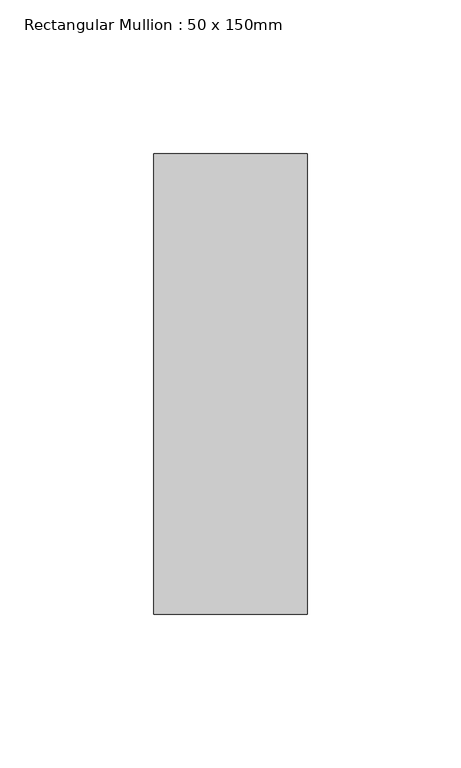
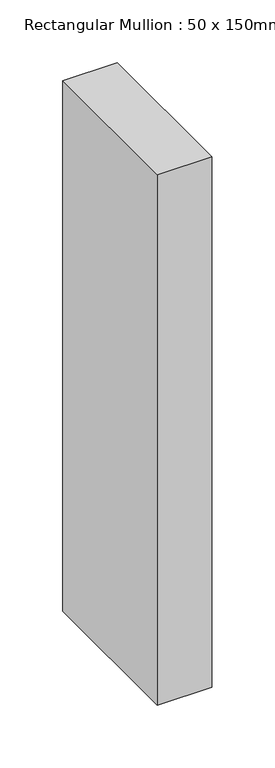
"""IFC4 building model written with IfcOpenShell, lengths in millimetres: member geometry, Rectangular Mullion : 50 x 150mm."""

from ifc_helpers import new_model, si_unit, frame, origin, place, context, project, spatial, polyline, outline, extrude, source, transform, mapped, element, save


def rectangular_mullion_50_x_150mm_443e4d05(model_context):
    return source(origin(), model_context, "Body", "SweptSolid", [
        extrude(outline(polyline([(0.0, 75.0), (0.0, -75.0), (-50.0, -75.0), (-50.0, 75.0), (0.0, 75.0)])), frame((0.0, 0.0, -514.3649013), z_axis=(0.0, 0.0, 1.0), x_axis=(1.0, 0.0, 0.0)), (0.0, 0.0, 1.0), 514.3649013),
    ])


if __name__ == "__main__":
    model = new_model("IFC4")
    model_context = context("Model", 3, world=origin())
    ifc_project = project(units=[si_unit("LENGTHUNIT", "METRE", prefix="MILLI")], contexts=[model_context])
    site = spatial("IfcSite", under=ifc_project)
    building = spatial("IfcBuilding", under=site)
    placement = place(None, origin())
    rectangular_mullion_50_x_150mm_shape = rectangular_mullion_50_x_150mm_443e4d05(model_context)
    element("IfcMember", 1, ObjectType="Rectangular Mullion : 50 x 150mm", at=placement, inside=building, context=model_context, shape_type="MappedRepresentation", body=[
        mapped(rectangular_mullion_50_x_150mm_shape, transform((0.0, 0.0, 0.0), x_axis=(1.0, 0.0, 0.0), y_axis=(0.0, 1.0, 0.0), z_axis=(0.0, 0.0, 1.0))),
    ])
    save(model, "model.ifc")
